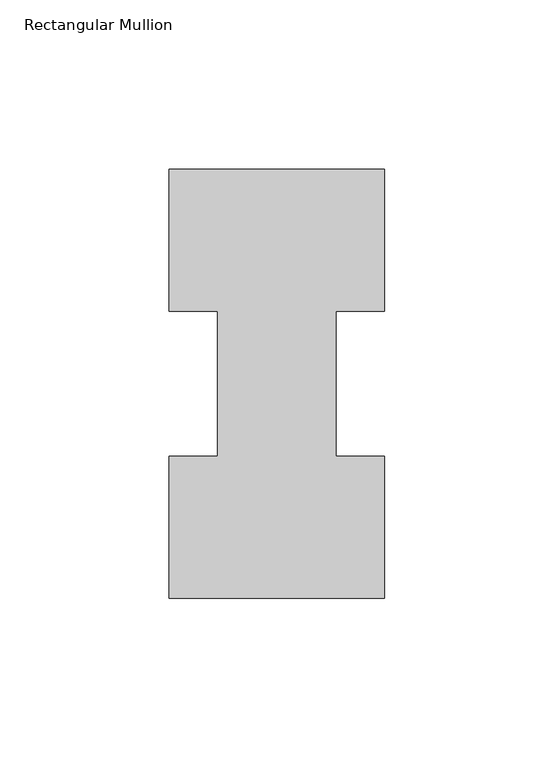
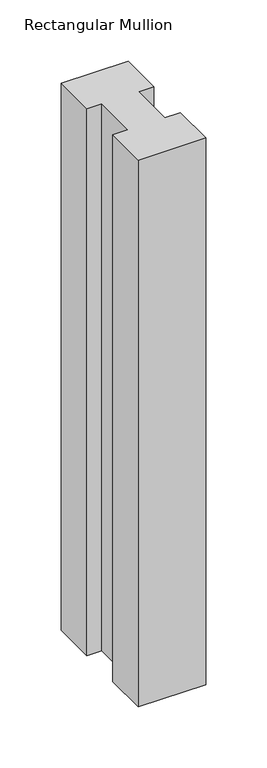
"""IFC4 building model written with IfcOpenShell, lengths in millimetres: member geometry, Rectangular Mullion."""

from ifc_helpers import new_model, si_unit, frame, origin, place, context, project, spatial, polyline, outline, extrude, source, transform, mapped, element, save


def rectangular_mullion_2d857d5b(model_context):
    return source(origin(), model_context, "Body", "SweptSolid", [
        extrude(outline(polyline([(-63.5, 0.2967757), (-63.5, 42.1178757), (-49.2125, 42.1178757), (-49.2125, 84.93125), (-63.5, 84.93125), (-63.5, 126.7887757), (0.0, 126.7887757), (0.0, 84.93125), (-14.2748, 84.93125), (-14.2748, 42.1178757), (0.0, 42.1178757), (0.0, 0.2967757), (-63.5, 0.2967757)])), frame((0.0, 0.0, -546.0999994), z_axis=(0.0, 0.0, 1.0), x_axis=(1.0, 0.0, 0.0)), (0.0, 0.0, 1.0), 546.0999994),
    ])


if __name__ == "__main__":
    model = new_model("IFC4")
    model_context = context("Model", 3, world=origin())
    ifc_project = project(units=[si_unit("LENGTHUNIT", "METRE", prefix="MILLI")], contexts=[model_context])
    site = spatial("IfcSite", under=ifc_project)
    building = spatial("IfcBuilding", under=site)
    placement = place(None, origin())
    rectangular_mullion_shape = rectangular_mullion_2d857d5b(model_context)
    element("IfcMember", 1, ObjectType="Rectangular Mullion", at=placement, inside=building, context=model_context, shape_type="MappedRepresentation", body=[
        mapped(rectangular_mullion_shape, transform((0.0, 0.0, 0.0), x_axis=(1.0, 0.0, 0.0), y_axis=(0.0, 1.0, 0.0), z_axis=(0.0, 0.0, 1.0))),
    ])
    save(model, "model.ifc")
